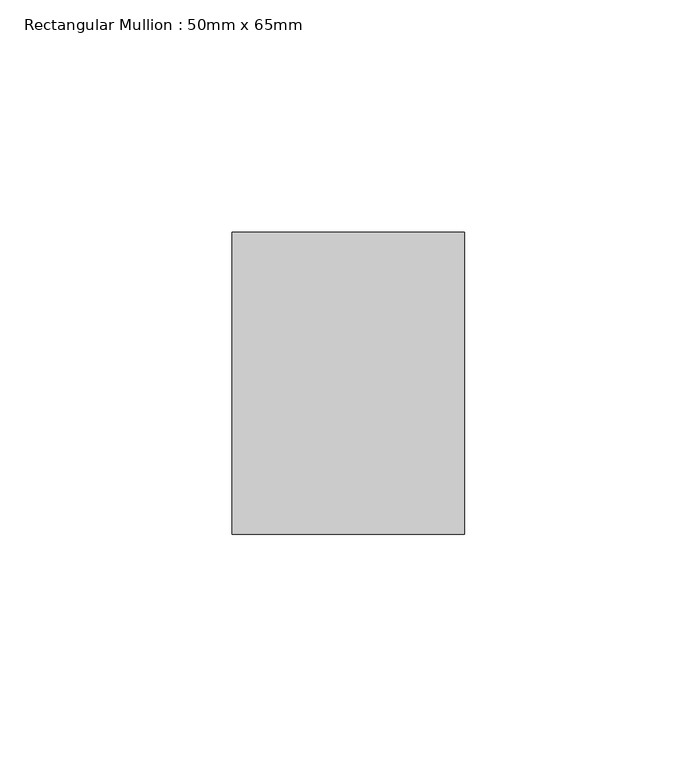
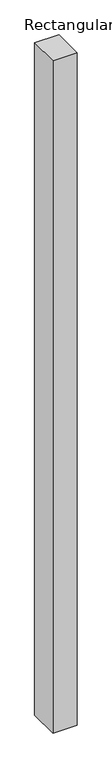
"""IFC4 building model written with IfcOpenShell, lengths in millimetres: member geometry, Rectangular Mullion : 50mm x 65mm."""

from ifc_helpers import new_model, si_unit, frame, origin, place, context, project, spatial, polyline, outline, extrude, source, transform, mapped, element, save


def rectangular_mullion_50mm_x_65mm_878c7d30(model_context):
    return source(origin(), model_context, "Body", "SweptSolid", [
        extrude(outline(polyline([(25.0, 32.5), (25.0, -32.5), (-25.0, -32.5), (-25.0, 32.5), (25.0, 32.5)])), frame((0.0, 0.0, -1473.7159734), z_axis=(0.0, 0.0, 1.0), x_axis=(1.0, 0.0, 0.0)), (0.0, 0.0, 1.0), 1473.7159734),
    ])


if __name__ == "__main__":
    model = new_model("IFC4")
    model_context = context("Model", 3, world=origin())
    ifc_project = project(units=[si_unit("LENGTHUNIT", "METRE", prefix="MILLI")], contexts=[model_context])
    site = spatial("IfcSite", under=ifc_project)
    building = spatial("IfcBuilding", under=site)
    placement = place(None, origin())
    rectangular_mullion_50mm_x_65mm_shape = rectangular_mullion_50mm_x_65mm_878c7d30(model_context)
    element("IfcMember", 1, ObjectType="Rectangular Mullion : 50mm x 65mm", at=placement, inside=building, context=model_context, shape_type="MappedRepresentation", body=[
        mapped(rectangular_mullion_50mm_x_65mm_shape, transform((0.0, 0.0, 0.0), x_axis=(1.0, 0.0, 0.0), y_axis=(0.0, 1.0, 0.0), z_axis=(0.0, 0.0, 1.0))),
    ])
    save(model, "model.ifc")
